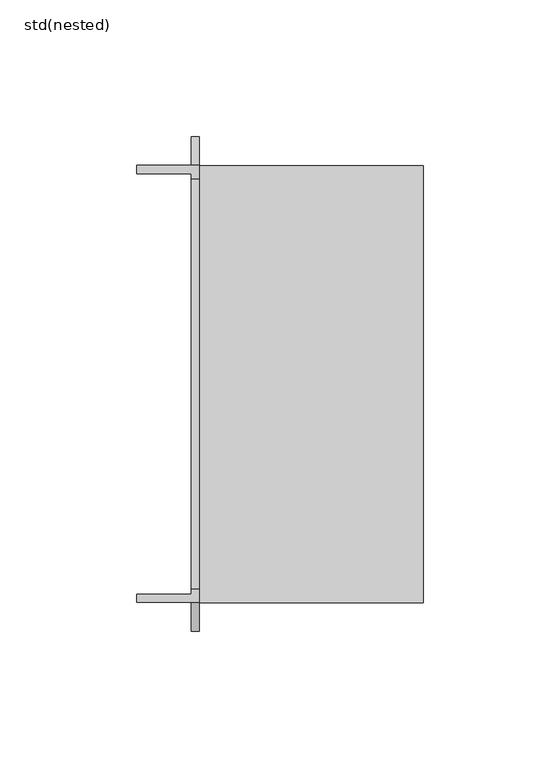
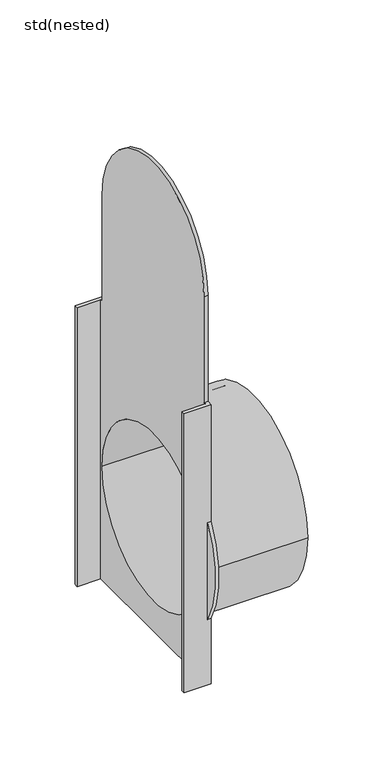
"""IFC4 building model written with IfcOpenShell, lengths in millimetres: sanitary terminal geometry, std(nested)."""

from ifc_helpers import new_model, si_unit, frame, origin, place, context, project, spatial, polyline, circle_curve, source, transform, mapped, element, save
from ifc_brep_helpers import plane_surface, cylinder_surface, revolved_surface, advanced_brep


def std_nested_ab676019(model_context):
    return source(origin(), model_context, "Body", "AdvancedBrep", [
        advanced_brep(
        [(3.0, 80.0, -361.5), (3.0, 80.0, -274.5), (3.0, 80.0, -170.0), (3.0, 75.0, -170.0), (3.0, 75.0, -75.0), (3.0, -75.0, -75.0), (3.0, -75.0, -170.0), (3.0, -80.0, -170.0), (3.0, -80.0, -274.5), (3.0, -80.0, -361.5), (3.0, -80.0, -420.0), (3.0, 80.0, -420.0), (3.0, -80.0, -318.0), (3.0, 80.0, -318.0), (0.0, -80.0, -361.5), (0.0, -80.0, -274.5), (0.0, -75.0, -170.0), (0.0, -75.0, -75.0), (0.0, 75.0, -75.0), (0.0, 75.0, -170.0), (0.0, 77.0, -170.0), (0.0, 77.0, -420.0), (0.0, -77.0, -420.0), (0.0, -77.0, -170.0), (0.0, 75.0, -318.0), (0.0, -75.0, -318.0), (0.0, 80.0, -274.5), (0.0, 80.0, -361.5), (-20.0, -80.0, -170.0), (-20.0, -80.0, -420.0), (-20.0, -77.0, -420.0), (-20.0, 77.0, -420.0), (-20.0, 80.0, -420.0), (-20.0, 80.0, -170.0), (-20.0, 77.0, -170.0), (-20.0, -77.0, -170.0), (85.0, 80.0, -318.0), (85.0, -80.0, -318.0), (85.0, 75.0, -318.0), (85.0, -75.0, -318.0)],
        [
            (0, 1, circle_curve(frame((3.0, -0.3679243, -318.0), z_axis=(1.0, 0.0, 0.0), x_axis=(0.0, 1.0, 0.0)), 91.3851917)),
            (1, 2),
            (2, 3),
            (3, 4),
            (4, 5, circle_curve(frame((3.0, 0.0, -75.0), z_axis=(1.0, 0.0, 0.0), x_axis=(0.0, 1.0, 0.0)), 75.0)),
            (5, 6),
            (6, 7),
            (7, 8),
            (8, 9, circle_curve(frame((3.0, 0.3679243, -318.0), z_axis=(1.0, 0.0, 0.0), x_axis=(0.0, 1.0, 0.0)), 91.3851917)),
            (9, 10),
            (10, 11),
            (11, 0),
            (12, 13, circle_curve(frame((3.0, 0.0, -318.0), z_axis=(-1.0, 0.0, 0.0), x_axis=(0.0, 1.0, 0.0)), 80.0)),
            (13, 12, circle_curve(frame((3.0, 0.0, -318.0), z_axis=(-1.0, 0.0, 0.0), x_axis=(0.0, 1.0, 0.0)), 80.0)),
            (14, 15, circle_curve(frame((0.0, 0.3679243, -318.0), z_axis=(-1.0, 0.0, 0.0), x_axis=(0.0, 1.0, 0.0)), 91.3851917)),
            (15, 14),
            (16, 17),
            (17, 18, circle_curve(frame((0.0, 0.0, -75.0), z_axis=(-1.0, 0.0, 0.0), x_axis=(0.0, 1.0, 0.0)), 75.0)),
            (18, 19),
            (19, 20),
            (20, 21),
            (21, 22),
            (22, 23),
            (23, 16),
            (24, 25, circle_curve(frame((0.0, 0.0, -318.0), z_axis=(1.0, 0.0, 0.0), x_axis=(0.0, 1.0, 0.0)), 75.0)),
            (25, 24, circle_curve(frame((0.0, 0.0, -318.0), z_axis=(1.0, 0.0, 0.0), x_axis=(0.0, 1.0, 0.0)), 75.0)),
            (26, 27, circle_curve(frame((0.0, -0.3679243, -318.0), z_axis=(-1.0, 0.0, 0.0), x_axis=(0.0, 1.0, 0.0)), 91.3851917)),
            (27, 26),
            (9, 14),
            (15, 8),
            (7, 28),
            (28, 29),
            (29, 10),
            (29, 30),
            (30, 22),
            (21, 31),
            (31, 32),
            (32, 11),
            (32, 33),
            (33, 2),
            (1, 26),
            (27, 0),
            (33, 34),
            (34, 20),
            (19, 3),
            (18, 4),
            (17, 5),
            (16, 6),
            (23, 35),
            (35, 28),
            (36, 37, circle_curve(frame((85.0, 0.0, -318.0), z_axis=(1.0, 0.0, 0.0), x_axis=(0.0, 1.0, 0.0)), 80.0)),
            (37, 36, circle_curve(frame((85.0, 0.0, -318.0), z_axis=(1.0, 0.0, 0.0), x_axis=(0.0, 1.0, 0.0)), 80.0)),
            (38, 39, circle_curve(frame((85.0, 0.0, -318.0), z_axis=(-1.0, 0.0, 0.0), x_axis=(0.0, 1.0, 0.0)), 75.0)),
            (39, 38, circle_curve(frame((85.0, 0.0, -318.0), z_axis=(-1.0, 0.0, 0.0), x_axis=(0.0, 1.0, 0.0)), 75.0)),
            (36, 13),
            (12, 37),
            (38, 24),
            (25, 39),
            (31, 34),
            (35, 30),
        ],
        [
            plane_surface(frame((3.0, 91.0172674, -318.0), z_axis=(1.0, 0.0, 0.0), x_axis=(0.0, 0.0, 1.0))),
            plane_surface(frame((0.0, 91.0172674, -318.0), z_axis=(-1.0, 0.0, 0.0), x_axis=(0.0, 0.0, -1.0))),
            plane_surface(frame((3.0, -80.0, -361.5), z_axis=(0.0, -1.0, 0.0), x_axis=(-1.0, 0.0, 0.0))),
            plane_surface(frame((3.0, -80.0, -420.0), z_axis=(0.0, 0.0, -1.0), x_axis=(-1.0, 0.0, 0.0))),
            plane_surface(frame((3.0, 80.0, -420.0), z_axis=(0.0, 1.0, 0.0), x_axis=(-1.0, 0.0, 0.0))),
            cylinder_surface(frame((0.0, -0.3679243, -318.0), z_axis=(1.0, 0.0, 0.0), x_axis=(0.0, 1.0, 0.0)), 91.3851917),
            plane_surface(frame((3.0, 80.0, -170.0), z_axis=(0.0, 0.0, 1.0), x_axis=(-1.0, 0.0, 0.0))),
            plane_surface(frame((3.0, 75.0, -170.0), z_axis=(0.0, 1.0, 0.0), x_axis=(-1.0, 0.0, 0.0))),
            cylinder_surface(frame((0.0, 0.0, -75.0), z_axis=(1.0, 0.0, 0.0), x_axis=(0.0, 1.0, 0.0)), 75.0),
            plane_surface(frame((3.0, -75.0, -75.0), z_axis=(0.0, -1.0, 0.0), x_axis=(-1.0, 0.0, 0.0))),
            plane_surface(frame((3.0, -75.0, -170.0), z_axis=(0.0, 0.0, 1.0), x_axis=(-1.0, 0.0, 0.0))),
            cylinder_surface(frame((0.0, 0.3679243, -318.0), z_axis=(1.0, 0.0, 0.0), x_axis=(0.0, 1.0, 0.0)), 91.3851917),
            plane_surface(frame((85.0, 80.0, -318.0), z_axis=(1.0, 0.0, 0.0), x_axis=(0.0, 0.0, 1.0))),
            cylinder_surface(frame((0.0, 0.0, -318.0), z_axis=(1.0, 0.0, 0.0), x_axis=(0.0, 1.0, 0.0)), 80.0),
            revolved_surface(polyline([(0.0, 75.0, -318.0), (85.0, 75.0, -318.0)]), (0.0, 0.0, -318.0), (-1.0, 0.0, 0.0)),
            plane_surface(frame((-20.0, 77.0, -170.0), z_axis=(-1.0, 0.0, 0.0), x_axis=(0.0, 0.0, 1.0))),
            plane_surface(frame((0.0, 77.0, -170.0), z_axis=(0.0, -1.0, 0.0), x_axis=(-1.0, 0.0, 0.0))),
            plane_surface(frame((0.0, -77.0, -420.0), z_axis=(0.0, 1.0, 0.0), x_axis=(-1.0, 0.0, 0.0))),
        ],
        [
            (0, [[1, 2, 3, 4, 5, 6, 7, 8, 9, 10, 11, 12], [13, 14]]),
            (1, [[15, 16]]),
            (1, [[17, 18, 19, 20, 21, 22, 23, 24], [25, 26]]),
            (1, [[27, 28]]),
            (2, [[-10, 29, -16, 30, -8, 31, 32, 33]]),
            (3, [[-11, -33, 34, 35, -22, 36, 37, 38]]),
            (4, [[-12, -38, 39, 40, -2, 41, -28, 42]]),
            (5, [[-1, -42, -27, -41]]),
            (6, [[-3, -40, 43, 44, -20, 45]]),
            (7, [[-4, -45, -19, 46]]),
            (8, [[-5, -46, -18, 47]]),
            (9, [[-6, -47, -17, 48]]),
            (10, [[-31, -7, -48, -24, 49, 50]]),
            (11, [[-9, -30, -15, -29]]),
            (12, [[51, 52], [53, 54]]),
            (13, [[-51, 55, -13, 56]]),
            (13, [[-52, -56, -14, -55]]),
            (14, [[-53, 57, -26, 58]]),
            (14, [[-54, -58, -25, -57]]),
            (15, [[-43, -39, -37, 59]]),
            (15, [[60, -34, -32, -50]]),
            (16, [[-59, -36, -21, -44]]),
            (17, [[-60, -49, -23, -35]]),
        ],
    ),
    ])


if __name__ == "__main__":
    model = new_model("IFC4")
    model_context = context("Model", 3, world=origin())
    ifc_project = project(units=[si_unit("LENGTHUNIT", "METRE", prefix="MILLI")], contexts=[model_context])
    site = spatial("IfcSite", under=ifc_project)
    building = spatial("IfcBuilding", under=site)
    placement = place(None, origin())
    std_nested_shape = std_nested_ab676019(model_context)
    element("IfcSanitaryTerminal", 1, ObjectType="std(nested)", at=placement, inside=building, context=model_context, shape_type="MappedRepresentation", body=[
        mapped(std_nested_shape, transform((0.0, 0.0, 0.0), x_axis=(1.0, 0.0, 0.0), y_axis=(0.0, 1.0, 0.0), z_axis=(0.0, 0.0, 1.0))),
    ])
    save(model, "model.ifc")
